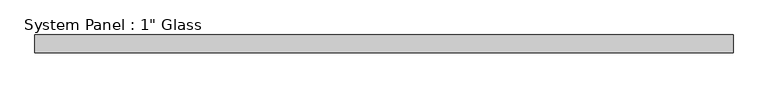
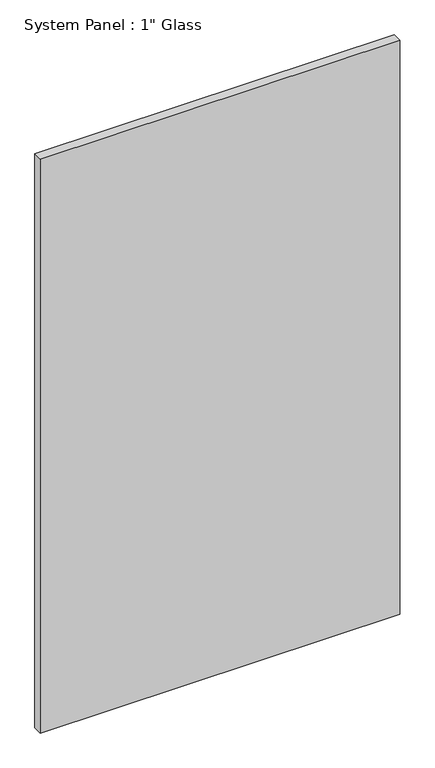
"""IFC4 building model written with IfcOpenShell, lengths in millimetres: plate geometry."""

from ifc_helpers import new_model, si_unit, origin, origin_with_axes, place, context, project, spatial, polyline, outline, extrude, source, transform, mapped, element, save


def plate_3143cb11(model_context):
    return source(origin(), model_context, "Body", "SweptSolid", [
        extrude(outline(polyline([(502.3284003, -12.7), (-502.3284003, -12.7), (-502.3284003, 12.7), (502.3284003, 12.7), (502.3284003, -12.7)])), origin_with_axes(), (0.0, 0.0, 1.0), 1695.45),
    ])


if __name__ == "__main__":
    model = new_model("IFC4")
    model_context = context("Model", 3, world=origin())
    ifc_project = project(units=[si_unit("LENGTHUNIT", "METRE", prefix="MILLI")], contexts=[model_context])
    site = spatial("IfcSite", under=ifc_project)
    building = spatial("IfcBuilding", under=site)
    placement = place(None, origin())
    plate_shape = plate_3143cb11(model_context)
    element("IfcPlate", 1, ObjectType="System Panel : 1\" Glass", at=placement, inside=building, context=model_context, shape_type="MappedRepresentation", body=[
        mapped(plate_shape, transform((0.0, 0.0, 0.0), x_axis=(1.0, 0.0, 0.0), y_axis=(0.0, 1.0, 0.0), z_axis=(0.0, 0.0, 1.0))),
    ])
    save(model, "model.ifc")
